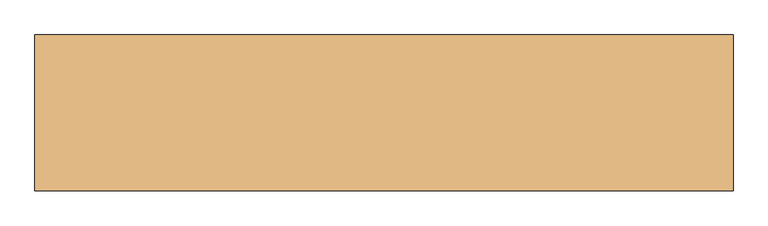
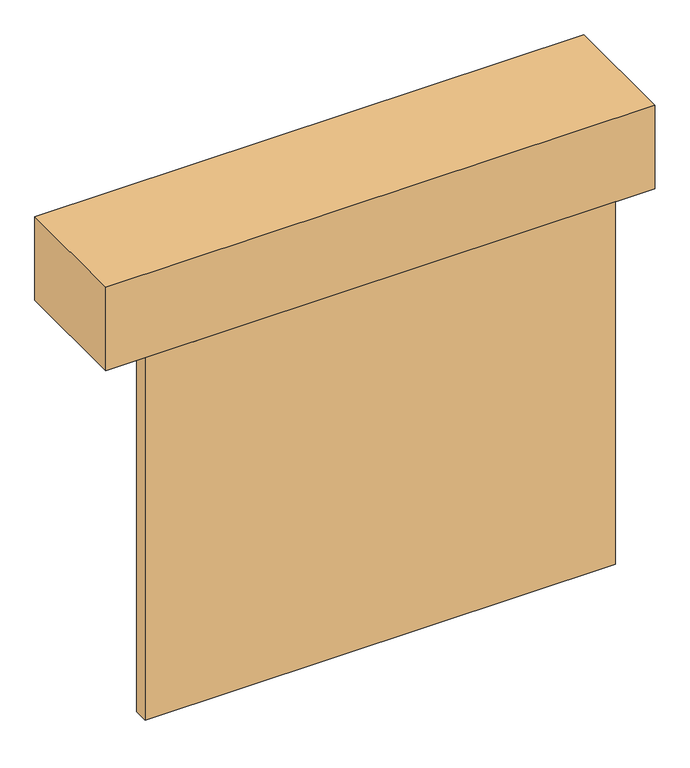
"""IFC4 building model written with IfcOpenShell, lengths in millimetres: door geometry."""

from ifc_helpers import new_model, si_unit, frame, origin, origin_with_axes, place, context, project, spatial, polyline, outline, extrude, source, transform, mapped, element, save


def door_a4fcbedd(model_context):
    return source(origin(), model_context, "Body", "SweptSolid", [
        extrude(outline(polyline([(1217.5, 255.0), (-1217.5, 255.0), (-1217.5, 331.0), (1217.5, 331.0), (1217.5, 255.0)])), origin_with_axes(), (0.0, 0.0, 1.0), 1981.0),
        extrude(outline(polyline([(1420.7, 889.8), (1420.7, 255.0), (-1420.7, 255.0), (-1420.7, 889.8), (1420.7, 889.8)])), frame((0.0, 0.0, 1981.0), z_axis=(0.0, 0.0, 1.0), x_axis=(1.0, 0.0, 0.0)), (0.0, 0.0, 1.0), 457.2),
    ])


if __name__ == "__main__":
    model = new_model("IFC4")
    model_context = context("Model", 3, world=origin())
    ifc_project = project(units=[si_unit("LENGTHUNIT", "METRE", prefix="MILLI")], contexts=[model_context])
    site = spatial("IfcSite", under=ifc_project)
    building = spatial("IfcBuilding", under=site)
    placement = place(None, origin())
    door_shape = door_a4fcbedd(model_context)
    element("IfcDoor", 1, at=placement, inside=building, context=model_context, shape_type="MappedRepresentation", body=[
        mapped(door_shape, transform((0.0, 0.0, 0.0), x_axis=(1.0, 0.0, 0.0), y_axis=(0.0, 1.0, 0.0), z_axis=(0.0, 0.0, 1.0))),
    ])
    save(model, "model.ifc")
